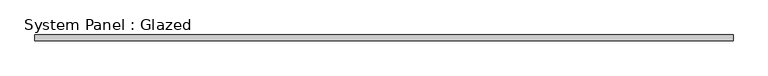
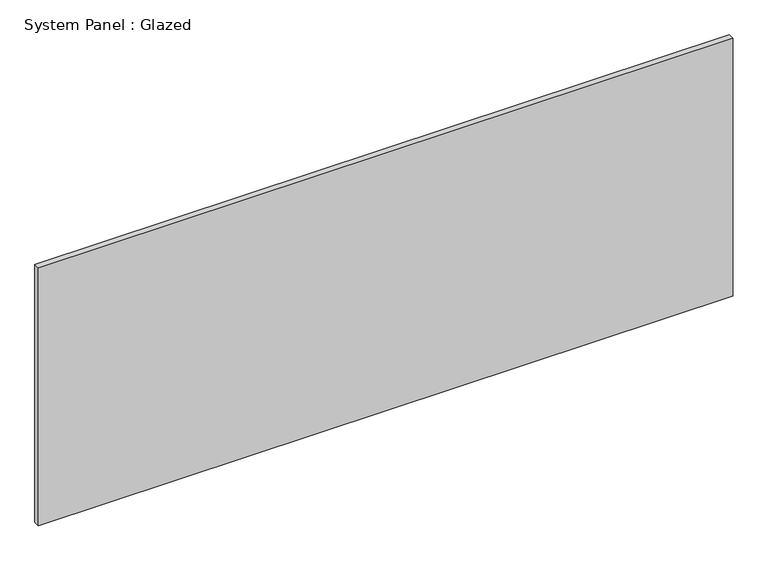
"""IFC4 building model written with IfcOpenShell, lengths in millimetres: plate geometry, System Panel : Glazed."""

from ifc_helpers import new_model, si_unit, origin, origin_with_axes, place, context, project, spatial, polyline, outline, extrude, source, transform, mapped, element, save


def system_panel_glazed_ef738212(model_context):
    return source(origin(), model_context, "Body", "SweptSolid", [
        extrude(outline(polyline([(1472.9465529, -44.45), (-1472.9465529, -44.45), (-1472.9465529, -19.05), (1472.9465529, -19.05), (1472.9465529, -44.45)])), origin_with_axes(), (0.0, 0.0, 1.0), 1155.7),
    ])


if __name__ == "__main__":
    model = new_model("IFC4")
    model_context = context("Model", 3, world=origin())
    ifc_project = project(units=[si_unit("LENGTHUNIT", "METRE", prefix="MILLI")], contexts=[model_context])
    site = spatial("IfcSite", under=ifc_project)
    building = spatial("IfcBuilding", under=site)
    placement = place(None, origin())
    system_panel_glazed_shape = system_panel_glazed_ef738212(model_context)
    element("IfcPlate", 1, ObjectType="System Panel : Glazed", at=placement, inside=building, context=model_context, shape_type="MappedRepresentation", body=[
        mapped(system_panel_glazed_shape, transform((0.0, 0.0, 0.0), x_axis=(1.0, 0.0, 0.0), y_axis=(0.0, 1.0, 0.0), z_axis=(0.0, 0.0, 1.0))),
    ])
    save(model, "model.ifc")
